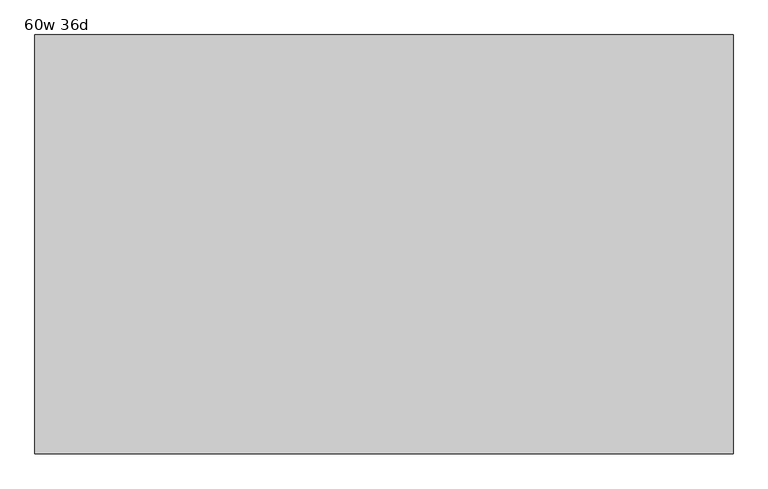
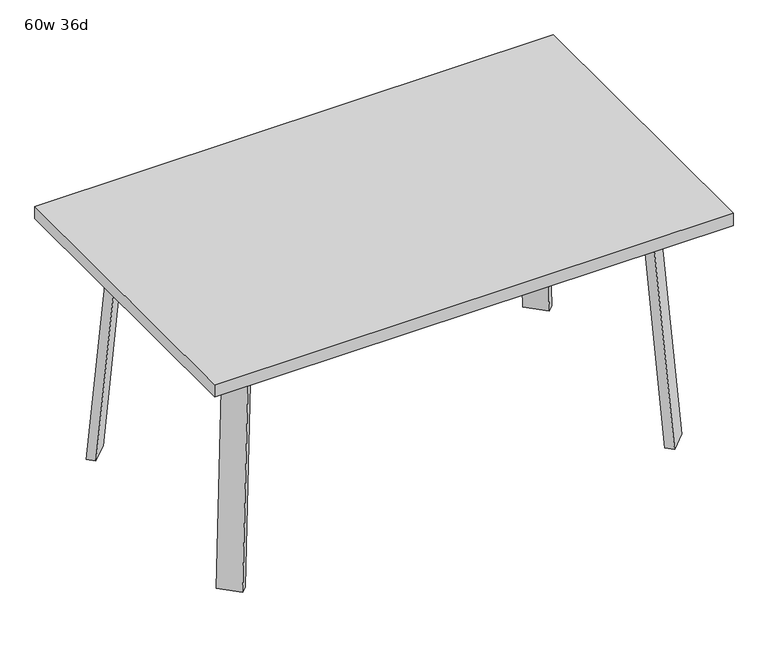
"""IFC4 building model written with IfcOpenShell, lengths in millimetres: furniture geometry, 60w 36d."""

import ifcopenshell
import ifcopenshell.guid

model = None  # the IFC model being written
_history = None  # IfcOwnerHistory: only IFC2X3 demands one
_inside = {}  # id of a spatial element -> (the spatial element, [elements in it])
_under = {}  # id of a project, library or spatial element -> (it, [spatial elements below it])
_declared = {}  # id of a project -> (the project, [libraries it declares])
_typed = {}  # id of a type object -> (the type object, [elements of that type])
_made_of = {}  # id of a material, layer set ... -> (it, [elements and type objects made of it])


def new_model(schema):
    """Start an empty IFC model of exactly this schema.

    Asked for "IFC4X3", IfcOpenShell would pick the latest addendum, in which some entities
    have other attributes; the version numbers below select the first issue.
    IFC2X3 requires an IfcOwnerHistory on every rooted entity: one is made here for all.
    """
    global model, _history
    if schema == "IFC4X3":
        model = ifcopenshell.file(schema_version=(4, 3, 0, 0))
    else:
        model = ifcopenshell.file(schema=schema)
    _inside.clear()
    _under.clear()
    _declared.clear()
    _typed.clear()
    _made_of.clear()
    _history = None
    if model.schema == "IFC2X3":
        org = make("IfcOrganization", Name="unknown")
        user = make(
            "IfcPersonAndOrganization",
            ThePerson=make("IfcPerson", FamilyName="unknown"),
            TheOrganization=org,
        )
        app = make(
            "IfcApplication",
            ApplicationDeveloper=org,
            Version="unknown",
            ApplicationFullName="unknown",
            ApplicationIdentifier="unknown",
        )
        _history = make(
            "IfcOwnerHistory",
            OwningUser=user,
            OwningApplication=app,
            ChangeAction="ADDED",
            CreationDate=0,
        )
    return model


def make(cls, **values):
    """One entity of the class cls with the attributes given. An attribute that is None is left unset."""
    return model.create_entity(
        cls, **{name: value for name, value in values.items() if value is not None}
    )


def rooted(cls, **values):
    """An entity with a GlobalId (a new one), such as an element, a storey or a relation."""
    return make(cls, GlobalId=ifcopenshell.guid.new(), OwnerHistory=_history, **values)


def si_unit(unit_type, name, prefix=None):
    """IfcSIUnit, for example si_unit("LENGTHUNIT", "METRE", prefix="MILLI")."""
    return make("IfcSIUnit", UnitType=unit_type, Prefix=prefix, Name=name)


def assignment(units):
    """IfcUnitAssignment: the units of a project."""
    return None if units is None else make("IfcUnitAssignment", Units=units)


def point(xyz):
    """IfcCartesianPoint."""
    return None if xyz is None else make("IfcCartesianPoint", Coordinates=xyz)


def direction(xyz):
    """IfcDirection."""
    return None if xyz is None else make("IfcDirection", DirectionRatios=xyz)


def frame(location, z_axis=None, x_axis=None):
    """IfcAxis2Placement3D, a coordinate frame: its origin and axes. An axis left out is left unset."""
    return make(
        "IfcAxis2Placement3D",
        Location=point(location),
        Axis=direction(z_axis),
        RefDirection=direction(x_axis),
    )


def frame_2d(location, x_axis=None):
    """IfcAxis2Placement2D, a coordinate frame in the plane: its origin and x axis."""
    return make(
        "IfcAxis2Placement2D", Location=point(location), RefDirection=direction(x_axis)
    )


def origin():
    """The frame at (0, 0, 0) with its axes left unset."""
    return frame((0.0, 0.0, 0.0))


def place(relative_to, where):
    """IfcLocalPlacement: puts the frame where relative to a parent placement (None: the world)."""
    return make(
        "IfcLocalPlacement", PlacementRelTo=relative_to, RelativePlacement=where
    )


def context(
    kind, dimensions, precision=None, world=None, true_north=None, identifier=None
):
    """IfcGeometricRepresentationContext, for example the 3D "Model" context."""
    return make(
        "IfcGeometricRepresentationContext",
        ContextIdentifier=identifier,
        ContextType=kind,
        CoordinateSpaceDimension=dimensions,
        Precision=precision,
        WorldCoordinateSystem=world,
        TrueNorth=true_north,
    )


def project(units=None, contexts=None):
    """IfcProject with its units and contexts."""
    return rooted(
        "IfcProject",
        Name="project",
        RepresentationContexts=contexts,
        UnitsInContext=assignment(units),
    )


def spatial(cls, under=None, at=None, **own):
    """A site, building, storey or space (cls), placed at a placement, below another one or the project."""
    s = rooted(cls, ObjectPlacement=at, **own)
    if under is not None:
        _under.setdefault(under.id(), (under, []))[1].append(s)
    return s


def polyline(points):
    """IfcPolyline through the points."""
    return make("IfcPolyline", Points=[point(p) for p in points])


def circle_curve(where, radius):
    """IfcCircle in the frame where."""
    return make("IfcCircle", Position=where, Radius=radius)


def trimmed(basis, trim1, trim2, sense, master):
    """IfcTrimmedCurve: the piece of a basis curve between two trims."""
    return make(
        "IfcTrimmedCurve",
        BasisCurve=basis,
        Trim1=trim1,
        Trim2=trim2,
        SenseAgreement=sense,
        MasterRepresentation=master,
    )


def segment(curve, same_sense, transition):
    """IfcCompositeCurveSegment."""
    return make(
        "IfcCompositeCurveSegment",
        Transition=transition,
        SameSense=same_sense,
        ParentCurve=curve,
    )


def composite_curve(segments, self_intersect=None):
    """IfcCompositeCurve: segments joined end to end."""
    return make("IfcCompositeCurve", Segments=segments, SelfIntersect=self_intersect)


def outline(outer, holes=None, kind="AREA"):
    """IfcArbitraryClosedProfileDef: a profile drawn as a closed curve; with holes, ...WithVoids."""
    if holes is None:
        return make("IfcArbitraryClosedProfileDef", ProfileType=kind, OuterCurve=outer)
    return make(
        "IfcArbitraryProfileDefWithVoids",
        ProfileType=kind,
        OuterCurve=outer,
        InnerCurves=holes,
    )


def extrude(swept, where, along, depth):
    """IfcExtrudedAreaSolid: the profile swept, set in the frame where, extruded along a direction by depth."""
    return make(
        "IfcExtrudedAreaSolid",
        SweptArea=swept,
        Position=where,
        ExtrudedDirection=direction(along),
        Depth=depth,
    )


def faces_of(points, faces, orient=None, outer=None):
    """IfcFace entities. A face is a list of loops; a loop is a list of indices into points, from 0.

    orient and outer hold one flag for each loop. By default every Orientation is true, the
    first loop of a face is its IfcFaceOuterBound and the others are IfcFaceBound.
    """
    made = []
    for i, loops in enumerate(faces):
        bounds = []
        for j, loop in enumerate(loops):
            is_outer = j == 0 if outer is None else outer[i][j]
            bounds.append(
                make(
                    "IfcFaceOuterBound" if is_outer else "IfcFaceBound",
                    Bound=make("IfcPolyLoop", Polygon=[points[k] for k in loop]),
                    Orientation=True if orient is None else orient[i][j],
                )
            )
        made.append(make("IfcFace", Bounds=bounds))
    return made


def faceted_brep(points, faces, orient=None, outer=None, voids=None):
    """IfcFacetedBrep: a solid bounded by flat faces; with voids (closed shells), ...WithVoids."""
    shared = [point(p) for p in points]
    hull = make("IfcClosedShell", CfsFaces=faces_of(shared, faces, orient, outer))
    if voids is None:
        return make("IfcFacetedBrep", Outer=hull)
    return make(
        "IfcFacetedBrepWithVoids",
        Outer=hull,
        Voids=[
            make(cls, CfsFaces=faces_of(shared, fs, o, b)) for cls, fs, o, b in voids
        ],
    )


def shape(context_of_items, identifier, shape_type, items):
    """IfcShapeRepresentation: the items that make up one representation, for example the "Body"."""
    return make(
        "IfcShapeRepresentation",
        ContextOfItems=context_of_items,
        RepresentationIdentifier=identifier,
        RepresentationType=shape_type,
        Items=items,
    )


def source(mapping_origin, context_of_items, identifier, shape_type, items):
    """IfcRepresentationMap: a shape defined once, which mapped items show again and again."""
    return make(
        "IfcRepresentationMap",
        MappingOrigin=mapping_origin,
        MappedRepresentation=shape(context_of_items, identifier, shape_type, items),
    )


def transform(
    local_origin,
    x_axis=None,
    y_axis=None,
    z_axis=None,
    scale=None,
    scale2=None,
    scale3=None,
    uniform=True,
):
    """IfcCartesianTransformationOperator3D, or its non-uniform kind. x_axis, y_axis, z_axis: its Axis1, 2, 3."""
    if uniform:
        return make(
            "IfcCartesianTransformationOperator3D",
            Axis1=direction(x_axis),
            Axis2=direction(y_axis),
            LocalOrigin=point(local_origin),
            Scale=scale,
            Axis3=direction(z_axis),
        )
    return make(
        "IfcCartesianTransformationOperator3DnonUniform",
        Axis1=direction(x_axis),
        Axis2=direction(y_axis),
        LocalOrigin=point(local_origin),
        Scale=scale,
        Axis3=direction(z_axis),
        Scale2=scale2,
        Scale3=scale3,
    )


def mapped(mapping_source, mapping_target):
    """IfcMappedItem: shows the shape of a source again, moved by a transform."""
    return make(
        "IfcMappedItem", MappingSource=mapping_source, MappingTarget=mapping_target
    )


def made_of(thing, what):
    """Note that an element or type object is made of a material, layer set ...; save() writes the relation."""
    if what is not None:
        _made_of.setdefault(what.id(), (what, []))[1].append(thing)
    return thing


def element(
    cls,
    number,
    at=None,
    inside=None,
    cuts=None,
    type_object=None,
    material=None,
    context=None,
    identifier="Body",
    shape_type=None,
    held_by="IfcProductDefinitionShape",
    body=None,
    shapes=None,
    **own,
):
    """One element of the class cls, such as IfcWall. Its Tag is "e" and its number.

    at: its placement. inside: the storey or other place that contains it. cuts: it is an
    opening in that element (IfcRelVoidsElement). A single representation is given by context,
    identifier, shape_type and body (its items); several are given by shapes. held_by: the class
    of the entity that holds the representations. save() writes the other relations.
    """
    e = rooted(cls, Tag="e%d" % number, ObjectPlacement=at, **own)
    if body is not None:
        shapes = [shape(context, identifier, shape_type, body)]
    if shapes is not None:
        e.Representation = make(held_by, Representations=shapes)
    if inside is not None:
        _inside.setdefault(inside.id(), (inside, []))[1].append(e)
    if cuts is not None:
        rooted(
            "IfcRelVoidsElement", RelatingBuildingElement=cuts, RelatedOpeningElement=e
        )
    if type_object is not None:
        _typed.setdefault(type_object.id(), (type_object, []))[1].append(e)
    return made_of(e, material)


def aggregate(whole, parts):
    """IfcRelAggregates: a whole, such as a stair, and the parts it consists of."""
    return rooted("IfcRelAggregates", RelatingObject=whole, RelatedObjects=parts)


def save(model, path):
    """Write the relations noted so far, then the file.

    IfcRelAggregates (storeys below a building ...), IfcRelContainedInSpatialStructure (elements
    in a storey), IfcRelDefinesByType, IfcRelAssociatesMaterial and IfcRelDeclares: one each for
    every whole, place, type object, material and project.
    """
    for whole, parts in _under.values():
        aggregate(whole, parts)
    for where, things in _inside.values():
        rooted(
            "IfcRelContainedInSpatialStructure",
            RelatedElements=things,
            RelatingStructure=where,
        )
    for kind, things in _typed.values():
        rooted("IfcRelDefinesByType", RelatedObjects=things, RelatingType=kind)
    for what, things in _made_of.values():
        rooted("IfcRelAssociatesMaterial", RelatedObjects=things, RelatingMaterial=what)
    for by, libraries in _declared.values():
        rooted("IfcRelDeclares", RelatingContext=by, RelatedDefinitions=libraries)
    model.write(path)


def furniture_60w_36d_ab42fb39(model_context):
    return source(origin(), model_context, "Body", "SolidModel", [
        faceted_brep([(453.8753042, -274.0920519, 695.325), (493.3884312, -234.578925, 695.325), (548.5047531, -289.6952469, 695.325), (541.8631053, -296.3368947, 695.325), (480.8160726, -301.0328203, 695.325), (601.1368947, -237.0631053, 695.325), (595.2020849, -242.9979151, 695.325), (540.085763, -187.8815931, 695.325), (579.5988899, -148.3684662, 695.325), (606.5396583, -175.3092346, 695.325), (453.8753042, -274.0920519, 698.5), (480.8160726, -301.0328203, 698.5), (541.8631053, -296.3368947, 698.5), (601.1368947, -237.0631053, 698.5), (606.5396583, -175.3092346, 698.5), (579.5988899, -148.3684662, 698.5), (548.5047531, -289.6952469, 673.1), (595.2020849, -242.9979151, 673.1), (503.6034725, -244.7939663, 673.1), (550.3008043, -198.0966345, 673.1)], [[[0, 1, 2, 3, 4]], [[5, 6, 7, 8, 9]], [[10, 11, 12, 13, 14, 15]], [[4, 11, 10, 0]], [[3, 12, 11, 4]], [[12, 3, 2, 16, 17, 6, 5, 13]], [[9, 14, 13, 5]], [[8, 15, 14, 9]], [[15, 8, 7, 1, 0, 10]], [[2, 1, 18, 16]], [[7, 6, 17, 19]], [[18, 19, 17, 16]], [[1, 7, 19, 18]]]),
        extrude(outline(composite_curve([segment(polyline([(-698.9257667, 0.0), (-704.4601563, 63.2583633), (-679.156811, 65.4721192), (-677.172355, 42.7896831)]), True, "CONTINUOUS"), segment(trimmed(circle_curve(frame_2d((-658.194846, 44.45)), 19.05), [point((-677.172355, 42.7896831))], [point((-658.194846, 25.4))], True, "CARTESIAN"), True, "CONTINUOUS"), segment(polyline([(-658.194846, 25.4), (0.0201778, 25.4), (2.2423899, 0.0), (-698.9257667, 0.0)]), True, "CONTINUOUS")], self_intersect=False)), frame((634.7792647, -379.3706733, 2.2338569), z_axis=(0.7071067811865512, 0.707106781186544, 0.0), x_axis=(0.06162841671622733, -0.06162841671621349, -0.9961946980917454)), (0.0, 0.0, 1.0), 69.85),
        faceted_brep([(453.8753042, 274.0920519, 695.325), (480.8160726, 301.0328203, 695.325), (541.8631053, 296.3368947, 695.325), (548.5047531, 289.6952469, 695.325), (493.3884312, 234.578925, 695.325), (601.1368947, 237.0631053, 695.325), (606.5396583, 175.3092346, 695.325), (579.5988899, 148.3684662, 695.325), (540.085763, 187.8815931, 695.325), (595.2020849, 242.9979151, 695.325), (453.8753042, 274.0920519, 698.5), (579.5988899, 148.3684662, 698.5), (606.5396583, 175.3092346, 698.5), (601.1368947, 237.0631053, 698.5), (541.8631053, 296.3368947, 698.5), (480.8160726, 301.0328203, 698.5), (595.2020849, 242.9979151, 673.1), (548.5047531, 289.6952469, 673.1), (503.6034725, 244.7939663, 673.1), (550.3008043, 198.0966345, 673.1)], [[[0, 1, 2, 3, 4]], [[5, 6, 7, 8, 9]], [[10, 11, 12, 13, 14, 15]], [[1, 0, 10, 15]], [[2, 1, 15, 14]], [[14, 13, 5, 9, 16, 17, 3, 2]], [[6, 5, 13, 12]], [[7, 6, 12, 11]], [[11, 10, 0, 4, 8, 7]], [[3, 17, 18, 4]], [[8, 19, 16, 9]], [[18, 17, 16, 19]], [[4, 18, 19, 8]]]),
        extrude(outline(composite_curve([segment(polyline([(698.9257667, 0.0), (704.4601563, -63.2583633), (679.156811, -65.4721192), (677.172355, -42.7896831)]), True, "CONTINUOUS"), segment(trimmed(circle_curve(frame_2d((658.194846, -44.45)), 19.05), [point((677.172355, -42.7896831))], [point((658.194846, -25.4))], True, "CARTESIAN"), True, "CONTINUOUS"), segment(polyline([(658.194846, -25.4), (-0.0201778, -25.4), (-2.2423899, 0.0), (698.9257667, 0.0)]), True, "CONTINUOUS")], self_intersect=False)), frame((684.1706733, 329.9792647, 2.2338569), z_axis=(-0.7071067811865512, 0.707106781186544, 0.0), x_axis=(-0.06162841671622733, -0.06162841671621349, 0.9961946980917454)), (0.0, 0.0, 1.0), 69.85),
        faceted_brep([(-453.8753042, 274.0920519, 695.325), (-493.3884312, 234.578925, 695.325), (-548.5047531, 289.6952469, 695.325), (-541.8631053, 296.3368947, 695.325), (-480.8160726, 301.0328203, 695.325), (-601.1368947, 237.0631053, 695.325), (-595.2020849, 242.9979151, 695.325), (-540.085763, 187.8815931, 695.325), (-579.5988899, 148.3684662, 695.325), (-606.5396583, 175.3092346, 695.325), (-453.8753042, 274.0920519, 698.5), (-480.8160726, 301.0328203, 698.5), (-541.8631053, 296.3368947, 698.5), (-601.1368947, 237.0631053, 698.5), (-606.5396583, 175.3092346, 698.5), (-579.5988899, 148.3684662, 698.5), (-548.5047531, 289.6952469, 673.1), (-595.2020849, 242.9979151, 673.1), (-503.6034725, 244.7939663, 673.1), (-550.3008043, 198.0966345, 673.1)], [[[0, 1, 2, 3, 4]], [[5, 6, 7, 8, 9]], [[10, 11, 12, 13, 14, 15]], [[4, 11, 10, 0]], [[3, 12, 11, 4]], [[12, 3, 2, 16, 17, 6, 5, 13]], [[9, 14, 13, 5]], [[8, 15, 14, 9]], [[15, 8, 7, 1, 0, 10]], [[2, 1, 18, 16]], [[7, 6, 17, 19]], [[18, 19, 17, 16]], [[1, 7, 19, 18]]]),
        extrude(outline(composite_curve([segment(polyline([(698.9257667, 0.0), (-2.2423899, 0.0), (-0.0201778, 25.4), (658.194846, 25.4)]), True, "CONTINUOUS"), segment(trimmed(circle_curve(frame_2d((658.194846, 44.45)), 19.05), [point((658.194846, 25.4))], [point((677.172355, 42.7896831))], True, "CARTESIAN"), True, "CONTINUOUS"), segment(polyline([(677.172355, 42.7896831), (679.156811, 65.4721192), (704.4601563, 63.2583633), (698.9257667, 0.0)]), True, "CONTINUOUS")], self_intersect=False)), frame((-684.1706733, 329.9792647, 2.2338569), z_axis=(0.7071067811865512, 0.707106781186544, 0.0), x_axis=(0.06162841671622733, -0.06162841671621349, 0.9961946980917454)), (0.0, 0.0, 1.0), 69.85),
        faceted_brep([(-453.8753042, -274.0920519, 695.325), (-480.8160726, -301.0328203, 695.325), (-541.8631053, -296.3368947, 695.325), (-548.5047531, -289.6952469, 695.325), (-493.3884312, -234.578925, 695.325), (-601.1368947, -237.0631053, 695.325), (-606.5396583, -175.3092346, 695.325), (-579.5988899, -148.3684662, 695.325), (-540.085763, -187.8815931, 695.325), (-595.2020849, -242.9979151, 695.325), (-453.8753042, -274.0920519, 698.5), (-579.5988899, -148.3684662, 698.5), (-606.5396583, -175.3092346, 698.5), (-601.1368947, -237.0631053, 698.5), (-541.8631053, -296.3368947, 698.5), (-480.8160726, -301.0328203, 698.5), (-595.2020849, -242.9979151, 673.1), (-548.5047531, -289.6952469, 673.1), (-503.6034725, -244.7939663, 673.1), (-550.3008043, -198.0966345, 673.1)], [[[0, 1, 2, 3, 4]], [[5, 6, 7, 8, 9]], [[10, 11, 12, 13, 14, 15]], [[1, 0, 10, 15]], [[2, 1, 15, 14]], [[14, 13, 5, 9, 16, 17, 3, 2]], [[6, 5, 13, 12]], [[7, 6, 12, 11]], [[11, 10, 0, 4, 8, 7]], [[3, 17, 18, 4]], [[8, 19, 16, 9]], [[18, 17, 16, 19]], [[4, 18, 19, 8]]]),
        extrude(outline(composite_curve([segment(polyline([(-698.9257667, 0.0), (2.2423899, 0.0), (0.0201778, -25.4), (-658.194846, -25.4)]), True, "CONTINUOUS"), segment(trimmed(circle_curve(frame_2d((-658.194846, -44.45)), 19.05), [point((-658.194846, -25.4))], [point((-677.172355, -42.7896831))], True, "CARTESIAN"), True, "CONTINUOUS"), segment(polyline([(-677.172355, -42.7896831), (-679.156811, -65.4721192), (-704.4601563, -63.2583633), (-698.9257667, 0.0)]), True, "CONTINUOUS")], self_intersect=False)), frame((-634.7792647, -379.3706733, 2.2338569), z_axis=(-0.7071067811865512, 0.707106781186544, 0.0), x_axis=(-0.06162841671622733, -0.06162841671621349, -0.9961946980917454)), (0.0, 0.0, 1.0), 69.85),
        extrude(outline(polyline([(762.0, 457.2), (762.0, -457.2), (-762.0, -457.2), (-762.0, 457.2), (762.0, 457.2)])), frame((0.0, 0.0, 698.5), z_axis=(0.0, 0.0, 1.0), x_axis=(1.0, 0.0, 0.0)), (0.0, 0.0, 1.0), 38.1),
    ])


if __name__ == "__main__":
    model = new_model("IFC4")
    model_context = context("Model", 3, world=origin())
    ifc_project = project(units=[si_unit("LENGTHUNIT", "METRE", prefix="MILLI")], contexts=[model_context])
    site = spatial("IfcSite", under=ifc_project)
    building = spatial("IfcBuilding", under=site)
    placement = place(None, origin())
    furniture_60w_36d_shape = furniture_60w_36d_ab42fb39(model_context)
    element("IfcFurniture", 1, ObjectType="60w 36d", at=placement, inside=building, context=model_context, shape_type="MappedRepresentation", body=[
        mapped(furniture_60w_36d_shape, transform((0.0, 0.0, 0.0), x_axis=(1.0, 0.0, 0.0), y_axis=(0.0, 1.0, 0.0), z_axis=(0.0, 0.0, 1.0))),
    ])
    save(model, "model.ifc")
